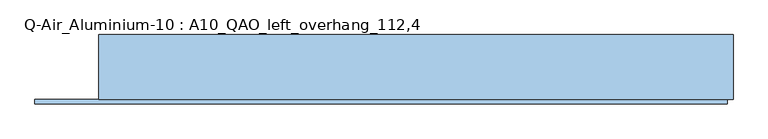
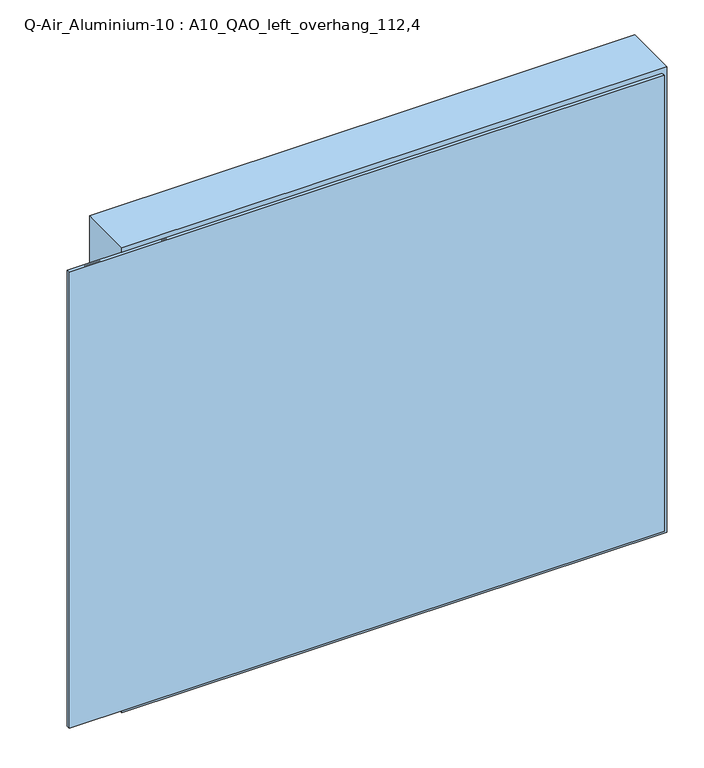
"""IFC4 building model written with IfcOpenShell, lengths in millimetres: window geometry, Q-Air_Aluminium-10 : A10_QAO_left_overhang_112,4."""

from ifc_helpers import new_model, si_unit, frame, origin, place, context, project, spatial, polyline, outline, extrude, source, transform, mapped, element, save


def q_air_aluminium_10_a10_qao_left_overhang_112_4_56d6b59f(model_context):
    return source(origin(), model_context, "Body", "SweptSolid", [
        extrude(outline(polyline([(1010.0, 560.0000002), (1010.0, -560.0000002), (0.0, -560.0000002), (0.0, 560.0000002), (1010.0, 560.0000002)]), holes=[polyline([(952.0, 502.0000002), (58.0, 502.0000002), (58.0, -502.0000002), (952.0, -502.0000002), (952.0, 502.0000002)])]), frame((0.0, -114.5, 0.0), z_axis=(0.0, 1.0, 0.0), x_axis=(0.0, 0.0, 1.0)), (0.0, 0.0, 1.0), 114.5),
        extrude(outline(polyline([(502.0000002, 0.0), (502.0000002, -12.5), (-502.0000002, -12.5), (-502.0000002, 0.0), (502.0000002, 0.0)])), frame((0.0, 0.0, 58.0), z_axis=(0.0, 0.0, 1.0), x_axis=(1.0, 0.0, 0.0)), (0.0, 0.0, 1.0), 894.0),
        extrude(outline(polyline([(550.0000002, -114.5), (550.0000002, -122.5), (-672.4000002, -122.5), (-672.4000002, -114.5), (550.0000002, -114.5)])), frame((0.0, 0.0, 10.0), z_axis=(0.0, 0.0, 1.0), x_axis=(1.0, 0.0, 0.0)), (0.0, 0.0, 1.0), 990.0),
        extrude(outline(polyline([(1000.0, 550.0000002), (1000.0, -672.4000002), (10.0, -672.4000002), (10.0, 550.0000002), (1000.0, 550.0000002)]), holes=[polyline([(952.0, 502.0000002), (58.0, 502.0000002), (58.0, -502.0000002), (952.0, -502.0000002), (952.0, 502.0000002)])]), frame((0.0, -118.5, 0.0), z_axis=(0.0, 1.0, 0.0), x_axis=(0.0, 0.0, 1.0)), (0.0, 0.0, 1.0), 4.0),
    ])


if __name__ == "__main__":
    model = new_model("IFC4")
    model_context = context("Model", 3, world=origin())
    ifc_project = project(units=[si_unit("LENGTHUNIT", "METRE", prefix="MILLI")], contexts=[model_context])
    site = spatial("IfcSite", under=ifc_project)
    building = spatial("IfcBuilding", under=site)
    placement = place(None, origin())
    q_air_aluminium_10_a10_qao_left_overhang_112_4_shape = q_air_aluminium_10_a10_qao_left_overhang_112_4_56d6b59f(model_context)
    element("IfcWindow", 1, ObjectType="Q-Air_Aluminium-10 : A10_QAO_left_overhang_112,4", at=placement, inside=building, context=model_context, shape_type="MappedRepresentation", body=[
        mapped(q_air_aluminium_10_a10_qao_left_overhang_112_4_shape, transform((0.0, 0.0, 0.0), x_axis=(1.0, 0.0, 0.0), y_axis=(0.0, 1.0, 0.0), z_axis=(0.0, 0.0, 1.0))),
    ])
    save(model, "model.ifc")
